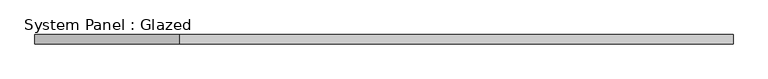
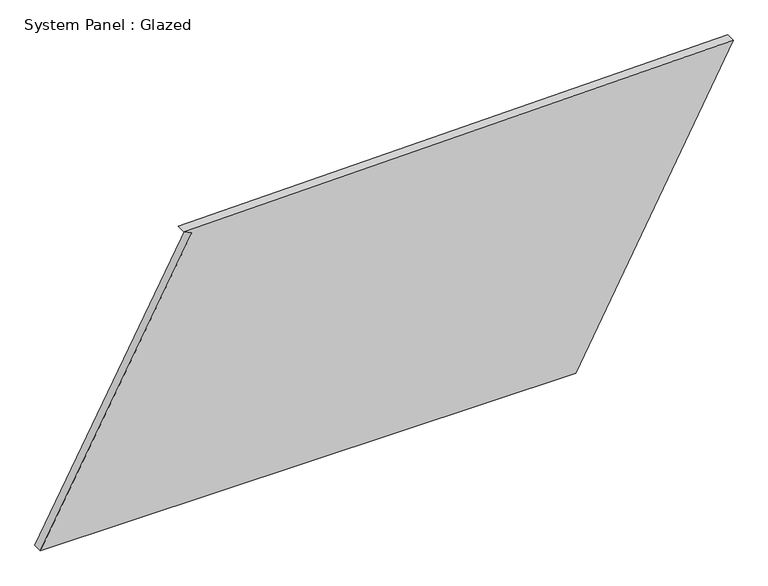
"""IFC4 building model written with IfcOpenShell, lengths in millimetres: plate geometry, System Panel : Glazed."""

from ifc_helpers import new_model, si_unit, frame, origin, place, context, project, spatial, polyline, outline, extrude, source, transform, mapped, element, save


def system_panel_glazed_da70c224(model_context):
    return source(origin(), model_context, "Body", "SweptSolid", [
        extrude(outline(polyline([(0.0, -946.244882), (0.0, 515.981025), (811.7427731, 946.244882), (784.4517598, -554.2828071), (772.6444195, -532.2467749), (0.0, -946.244882)])), frame((0.0, -49.5, 0.0), z_axis=(0.0, 1.0, 0.0), x_axis=(0.0, 0.0, 1.0)), (0.0, 0.0, 1.0), 25.0),
    ])


if __name__ == "__main__":
    model = new_model("IFC4")
    model_context = context("Model", 3, world=origin())
    ifc_project = project(units=[si_unit("LENGTHUNIT", "METRE", prefix="MILLI")], contexts=[model_context])
    site = spatial("IfcSite", under=ifc_project)
    building = spatial("IfcBuilding", under=site)
    placement = place(None, origin())
    system_panel_glazed_shape = system_panel_glazed_da70c224(model_context)
    element("IfcPlate", 1, ObjectType="System Panel : Glazed", at=placement, inside=building, context=model_context, shape_type="MappedRepresentation", body=[
        mapped(system_panel_glazed_shape, transform((0.0, 0.0, 0.0), x_axis=(1.0, 0.0, 0.0), y_axis=(0.0, 1.0, 0.0), z_axis=(0.0, 0.0, 1.0))),
    ])
    save(model, "model.ifc")
